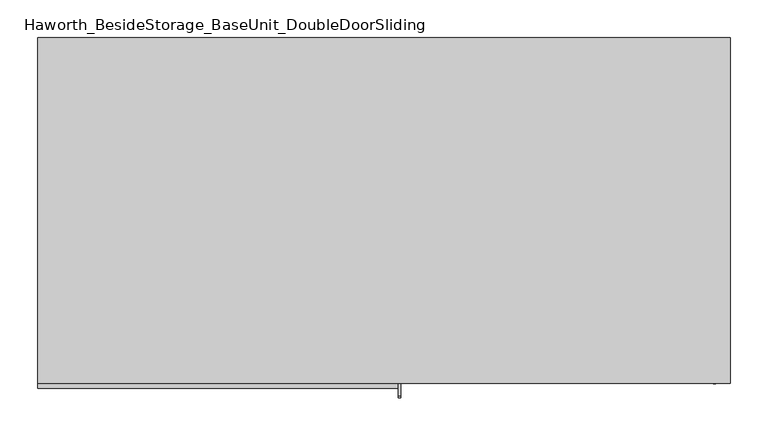
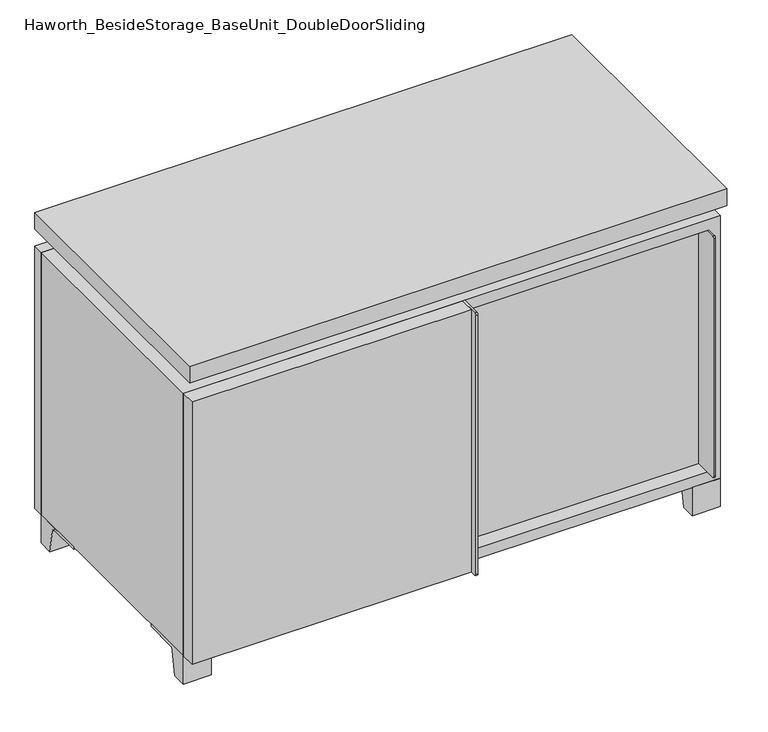
"""IFC4 building model written with IfcOpenShell, lengths in millimetres: furniture geometry, Haworth_BesideStorage_BaseUnit_DoubleDoorSliding."""

from ifc_helpers import new_model, si_unit, point, frame, frame_2d, origin, place, context, project, spatial, polyline, circle_curve, trimmed, segment, composite_curve, outline, extrude, faceted_brep, source, transform, mapped, element, save


def haworth_besidestorage_baseunit_doubledoorsliding_c67b87ff(model_context):
    return source(origin(), model_context, "Body", "SolidModel", [
        extrude(outline(polyline([(9.5319453, 241.3), (438.1569453, 241.3), (438.1569453, -92.075), (9.5319453, -92.075), (9.5319453, 241.3)])), frame((0.0, 0.0, 277.8125), z_axis=(0.0, 0.0, 1.0), x_axis=(1.0, 0.0, 0.0)), (0.0, 0.0, 1.0), 19.05),
        extrude(outline(polyline([(-9.5041641, 241.3), (-9.5041641, -92.075), (-438.1291641, -92.075), (-438.1291641, 241.3), (-9.5041641, 241.3)])), frame((0.0, 0.0, 277.8125), z_axis=(0.0, 0.0, 1.0), x_axis=(1.0, 0.0, 0.0)), (0.0, 0.0, 1.0), 19.05),
        extrude(outline(composite_curve([segment(polyline([(-95.25, 504.825), (-95.25, 69.85), (-161.925, 69.85)]), True, "CONTINUOUS"), segment(trimmed(circle_curve(frame_2d((-161.925, 73.025)), 3.175), [point((-161.925, 69.85))], [point((-165.1, 73.025))], False, "CARTESIAN"), True, "CONTINUOUS"), segment(polyline([(-165.1, 73.025), (-165.1, 501.65)]), True, "CONTINUOUS"), segment(trimmed(circle_curve(frame_2d((-161.925, 501.65)), 3.175), [point((-165.1, 501.65))], [point((-161.925, 504.825))], False, "CARTESIAN"), True, "CONTINUOUS"), segment(polyline([(-161.925, 504.825), (-95.25, 504.825)]), True, "CONTINUOUS")], self_intersect=False)), frame((434.9819453, 0.0, 0.0), z_axis=(1.0, 0.0, 0.0), x_axis=(0.0, 1.0, 0.0)), (0.0, 0.0, 1.0), 3.175),
        extrude(outline(polyline([(15.8819453, -95.25), (434.9819453, -95.25), (434.9819453, -120.65), (15.8819453, -120.65), (15.8819453, -95.25)])), frame((0.0, 0.0, 69.85), z_axis=(0.0, 0.0, 1.0), x_axis=(1.0, 0.0, 0.0)), (0.0, 0.0, 1.0), 434.975),
        extrude(outline(polyline([(457.2138906, 292.1), (457.2138906, -165.1), (-457.1861094, -165.1), (-457.1861094, 292.1), (457.2138906, 292.1)])), frame((0.0, 0.0, 554.0375), z_axis=(0.0, 0.0, 1.0), x_axis=(1.0, 0.0, 0.0)), (0.0, 0.0, 1.0), 30.1625),
        extrude(outline(composite_curve([segment(polyline([(-146.05, 523.875), (-146.05, 50.8), (-180.975, 50.8)]), True, "CONTINUOUS"), segment(trimmed(circle_curve(frame_2d((-180.975, 53.975)), 3.175), [point((-180.975, 50.8))], [point((-184.15, 53.975))], False, "CARTESIAN"), True, "CONTINUOUS"), segment(polyline([(-184.15, 53.975), (-184.15, 520.7)]), True, "CONTINUOUS"), segment(trimmed(circle_curve(frame_2d((-180.975, 520.7)), 3.175), [point((-184.15, 520.7))], [point((-180.975, 523.875))], False, "CARTESIAN"), True, "CONTINUOUS"), segment(polyline([(-180.975, 523.875), (-146.05, 523.875)]), True, "CONTINUOUS")], self_intersect=False)), frame((19.0638906, 0.0, 0.0), z_axis=(1.0, 0.0, 0.0), x_axis=(0.0, 1.0, 0.0)), (0.0, 0.0, 1.0), 3.175),
        extrude(outline(polyline([(-457.1861094, -146.05), (19.0638906, -146.05), (19.0638906, -171.45), (-457.1861094, -171.45), (-457.1861094, -146.05)])), frame((0.0, 0.0, 50.8), z_axis=(0.0, 0.0, 1.0), x_axis=(1.0, 0.0, 0.0)), (0.0, 0.0, 1.0), 473.075),
        extrude(outline(composite_curve([segment(polyline([(-120.6500136, 0.0), (-146.05, 0.0), (-146.05, 50.8), (-50.8, 50.8), (-50.8, 46.0213321), (-107.6005345, 46.0213321)]), True, "CONTINUOUS"), segment(trimmed(circle_curve(frame_2d((-107.6005345, 39.6713321)), 6.35), [point((-107.6005345, 46.0213321))], [point((-113.8641359, 40.7152656))], True, "CARTESIAN"), True, "CONTINUOUS"), segment(polyline([(-113.8641359, 40.7152656), (-120.6500136, 0.0)]), True, "CONTINUOUS")], self_intersect=False)), frame((409.5888906, 0.0, 0.0), z_axis=(1.0, 0.0, 0.0), x_axis=(0.0, 1.0, 0.0)), (0.0, 0.0, 1.0), 47.625),
        extrude(outline(composite_curve([segment(polyline([(247.6500136, 0.0), (240.8641359, 40.7152656)]), True, "CONTINUOUS"), segment(trimmed(circle_curve(frame_2d((234.6005345, 39.6713321)), 6.35), [point((240.8641359, 40.7152656))], [point((234.6005345, 46.0213321))], True, "CARTESIAN"), True, "CONTINUOUS"), segment(polyline([(234.6005345, 46.0213321), (177.8, 46.0213321), (177.8, 50.8), (273.05, 50.8), (273.05, 0.0), (247.6500136, 0.0)]), True, "CONTINUOUS")], self_intersect=False)), frame((409.5888906, 0.0, 0.0), z_axis=(1.0, 0.0, 0.0), x_axis=(0.0, 1.0, 0.0)), (0.0, 0.0, 1.0), 47.625),
        extrude(outline(composite_curve([segment(polyline([(-120.6500136, 0.0), (-146.05, 0.0), (-146.05, 50.8), (-50.8, 50.8), (-50.8, 46.0213321), (-107.6005345, 46.0213321)]), True, "CONTINUOUS"), segment(trimmed(circle_curve(frame_2d((-107.6005345, 39.6713321)), 6.35), [point((-107.6005345, 46.0213321))], [point((-113.8641359, 40.7152656))], True, "CARTESIAN"), True, "CONTINUOUS"), segment(polyline([(-113.8641359, 40.7152656), (-120.6500136, 0.0)]), True, "CONTINUOUS")], self_intersect=False)), frame((-457.1861094, 0.0, 0.0), z_axis=(1.0, 0.0, 0.0), x_axis=(0.0, 1.0, 0.0)), (0.0, 0.0, 1.0), 47.625),
        extrude(outline(composite_curve([segment(polyline([(247.6500136, 0.0), (240.8641359, 40.7152656)]), True, "CONTINUOUS"), segment(trimmed(circle_curve(frame_2d((234.6005345, 39.6713321)), 6.35), [point((240.8641359, 40.7152656))], [point((234.6005345, 46.0213321))], True, "CARTESIAN"), True, "CONTINUOUS"), segment(polyline([(234.6005345, 46.0213321), (177.8, 46.0213321), (177.8, 50.8), (273.05, 50.8), (273.05, 0.0), (247.6500136, 0.0)]), True, "CONTINUOUS")], self_intersect=False)), frame((-457.1861094, 0.0, 0.0), z_axis=(1.0, 0.0, 0.0), x_axis=(0.0, 1.0, 0.0)), (0.0, 0.0, 1.0), 47.625),
        faceted_brep([(7.9513906, -120.65, 554.0375), (7.9513906, -120.65, 523.875), (7.9513906, 53.975, 523.875), (7.9513906, 53.975, 554.0375), (7.9513906, 247.65, 523.875), (7.9513906, 247.65, 554.0375), (7.9513906, 73.025, 554.0375), (7.9513906, 73.025, 523.875), (-7.9236094, 247.65, 554.0375), (-7.9236094, 247.65, 523.875), (-7.9236094, 73.025, 523.875), (-7.9236094, 73.025, 554.0375), (-7.9236094, -120.65, 523.875), (-7.9236094, -120.65, 554.0375), (-7.9236094, 53.975, 554.0375), (-7.9236094, 53.975, 523.875), (-415.8833281, 73.025, 554.0375), (-415.9041641, 247.65, 554.0375), (-431.7791641, 247.65, 554.0375), (-431.7791641, -120.65, 554.0375), (-415.9041641, -120.65, 554.0375), (-415.9041641, 53.975, 554.0375), (415.9111094, 53.975, 554.0375), (415.9111094, -120.65, 554.0375), (431.7861094, -120.65, 554.0375), (431.7861094, 247.65, 554.0375), (415.9111094, 247.65, 554.0375), (415.9111094, 73.025, 554.0375), (-415.8833281, 53.975, 523.875), (-415.9041641, -120.65, 523.875), (-431.7791641, -120.65, 523.875), (-431.7791641, 247.65, 523.875), (-415.9041641, 247.65, 523.875), (-415.9041641, 73.025, 523.875), (415.9111094, 73.025, 523.875), (415.9111094, 247.65, 523.875), (431.7861094, 247.65, 523.875), (431.7861094, -120.65, 523.875), (415.9111094, -120.65, 523.875), (415.9111094, 53.975, 523.875)], [[[0, 1, 2, 3]], [[4, 5, 6, 7]], [[8, 9, 10, 11]], [[12, 13, 14, 15]], [[5, 8, 11, 16, 17, 18, 19, 20, 21, 14, 13, 0, 3, 22, 23, 24, 25, 26, 27, 6]], [[1, 12, 15, 28, 29, 30, 31, 32, 33, 10, 9, 4, 7, 34, 35, 36, 37, 38, 39, 2]], [[5, 4, 9, 8]], [[1, 0, 13, 12]], [[6, 27, 34, 7]], [[22, 3, 2, 39]], [[20, 29, 28, 21]], [[32, 17, 16, 33]], [[18, 31, 30, 19]], [[29, 20, 19, 30]], [[17, 32, 31, 18]], [[26, 35, 34, 27]], [[38, 23, 22, 39]], [[25, 24, 37, 36]], [[23, 38, 37, 24]], [[35, 26, 25, 36]], [[16, 11, 10, 33]], [[14, 21, 28, 15]]]),
        extrude(outline(polyline([(9.5388906, 241.3), (9.5388906, -95.25), (-9.5111094, -95.25), (-9.5111094, 241.3), (9.5388906, 241.3)])), frame((0.0, 0.0, 69.85), z_axis=(0.0, 0.0, 1.0), x_axis=(1.0, 0.0, 0.0)), (0.0, 0.0, 1.0), 434.975),
        extrude(outline(polyline([(15.8888906, -88.9), (15.8888906, -146.05), (-9.5111094, -146.05), (-9.5111094, -120.65), (3.1888906, -120.65), (3.1888906, -88.9), (15.8888906, -88.9)])), frame((0.0, 0.0, 69.85), z_axis=(0.0, 0.0, 1.0), x_axis=(1.0, 0.0, 0.0)), (0.0, 0.0, 1.0), 434.975),
        extrude(outline(polyline([(457.2138906, 273.05), (-457.1861094, 273.05), (-457.1861094, 292.1), (457.2138906, 292.1), (457.2138906, 273.05)])), frame((0.0, 0.0, 50.8), z_axis=(0.0, 0.0, 1.0), x_axis=(1.0, 0.0, 0.0)), (0.0, 0.0, 1.0), 473.075),
        extrude(outline(polyline([(50.8, -457.1861094), (50.8, 457.2), (523.875, 457.2), (523.875, -457.1861094), (50.8, -457.1861094)]), holes=[polyline([(69.85, -438.1361094), (504.825, -438.1361094), (504.825, 438.1361094), (69.85, 438.1361094), (69.85, -438.1361094)])]), frame((0.0, -146.05, 0.0), z_axis=(0.0, 1.0, 0.0), x_axis=(0.0, 0.0, 1.0)), (0.0, 0.0, 1.0), 419.1),
        extrude(outline(polyline([(-438.1291641, 241.3), (-438.1291641, 247.65), (438.1569453, 247.65), (438.1569453, 241.3), (-438.1291641, 241.3)])), frame((0.0, 0.0, 69.85), z_axis=(0.0, 0.0, 1.0), x_axis=(1.0, 0.0, 0.0)), (0.0, 0.0, 1.0), 434.975),
    ])


if __name__ == "__main__":
    model = new_model("IFC4")
    model_context = context("Model", 3, world=origin())
    ifc_project = project(units=[si_unit("LENGTHUNIT", "METRE", prefix="MILLI")], contexts=[model_context])
    site = spatial("IfcSite", under=ifc_project)
    building = spatial("IfcBuilding", under=site)
    placement = place(None, origin())
    haworth_besidestorage_baseunit_doubledoorsliding_shape = haworth_besidestorage_baseunit_doubledoorsliding_c67b87ff(model_context)
    element("IfcFurniture", 1, ObjectType="Haworth_BesideStorage_BaseUnit_DoubleDoorSliding", at=placement, inside=building, context=model_context, shape_type="MappedRepresentation", body=[
        mapped(haworth_besidestorage_baseunit_doubledoorsliding_shape, transform((0.0, 0.0, 0.0), x_axis=(1.0, 0.0, 0.0), y_axis=(0.0, 1.0, 0.0), z_axis=(0.0, 0.0, 1.0))),
    ])
    save(model, "model.ifc")
